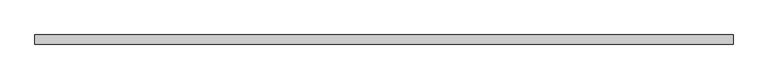
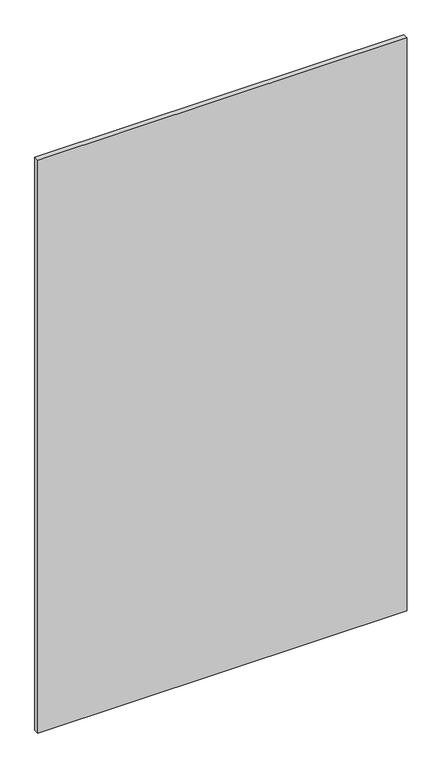
"""IFC4 building model written with IfcOpenShell, lengths in millimetres: plate geometry."""

from ifc_helpers import new_model, si_unit, origin, origin_with_axes, place, context, project, spatial, polyline, outline, extrude, source, transform, mapped, element, save


def plate_1b9f2f65(model_context):
    return source(origin(), model_context, "Body", "SweptSolid", [
        extrude(outline(polyline([(915.0000002, 24.5), (-915.0000002, 24.5), (-915.0000002, 49.5), (915.0000002, 49.5), (915.0000002, 24.5)])), origin_with_axes(), (0.0, 0.0, 1.0), 3000.0),
    ])


if __name__ == "__main__":
    model = new_model("IFC4")
    model_context = context("Model", 3, world=origin())
    ifc_project = project(units=[si_unit("LENGTHUNIT", "METRE", prefix="MILLI")], contexts=[model_context])
    site = spatial("IfcSite", under=ifc_project)
    building = spatial("IfcBuilding", under=site)
    placement = place(None, origin())
    plate_shape = plate_1b9f2f65(model_context)
    element("IfcPlate", 1, at=placement, inside=building, context=model_context, shape_type="MappedRepresentation", body=[
        mapped(plate_shape, transform((0.0, 0.0, 0.0), x_axis=(1.0, 0.0, 0.0), y_axis=(0.0, 1.0, 0.0), z_axis=(0.0, 0.0, 1.0))),
    ])
    save(model, "model.ifc")
